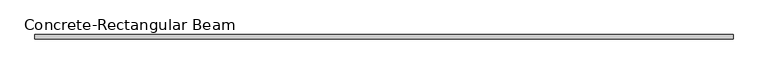
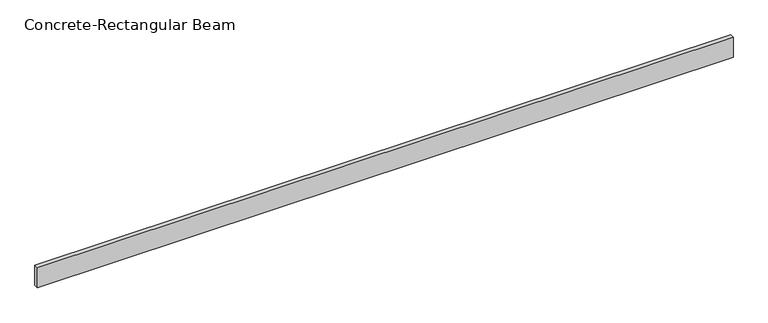
"""IFC4 building model written with IfcOpenShell, lengths in millimetres: beam geometry, Concrete-Rectangular Beam."""

from ifc_helpers import new_model, si_unit, frame, origin, place, context, project, spatial, polyline, outline, extrude, source, transform, mapped, element, save


def concrete_rectangular_beam_a9e0e2c6(model_context):
    return source(origin(), model_context, "Body", "SweptSolid", [
        extrude(outline(polyline([(4193.5110906, 25.0), (4193.5110906, -25.0), (-4013.8110906, -25.0), (-4013.8110906, 25.0), (4193.5110906, 25.0)])), frame((0.0, 0.0, -125.0), z_axis=(0.0, 0.0, 1.0), x_axis=(1.0, 0.0, 0.0)), (0.0, 0.0, 1.0), 250.0),
    ])


if __name__ == "__main__":
    model = new_model("IFC4")
    model_context = context("Model", 3, world=origin())
    ifc_project = project(units=[si_unit("LENGTHUNIT", "METRE", prefix="MILLI")], contexts=[model_context])
    site = spatial("IfcSite", under=ifc_project)
    building = spatial("IfcBuilding", under=site)
    placement = place(None, origin())
    concrete_rectangular_beam_shape = concrete_rectangular_beam_a9e0e2c6(model_context)
    element("IfcBeam", 1, ObjectType="Concrete-Rectangular Beam", at=placement, inside=building, context=model_context, shape_type="MappedRepresentation", body=[
        mapped(concrete_rectangular_beam_shape, transform((0.0, 0.0, 0.0), x_axis=(1.0, 0.0, 0.0), y_axis=(0.0, 1.0, 0.0), z_axis=(0.0, 0.0, 1.0))),
    ])
    save(model, "model.ifc")
